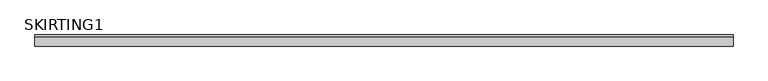
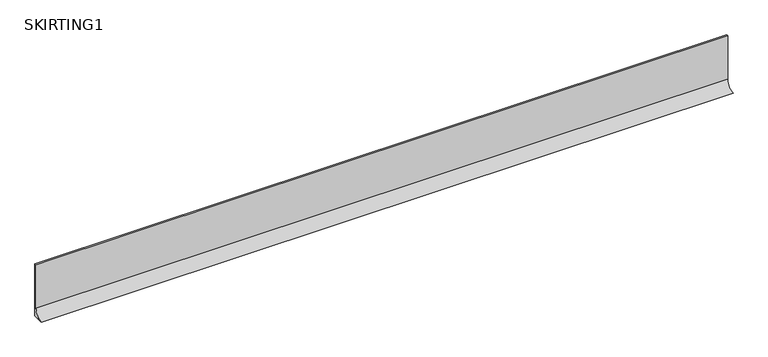
"""IFC4 building model written with IfcOpenShell, lengths in millimetres: proxy geometry, SKIRTING1."""

from ifc_helpers import new_model, si_unit, point, frame, frame_2d, origin, place, context, project, spatial, polyline, circle_curve, trimmed, segment, composite_curve, outline, extrude, source, transform, mapped, element, save


def skirting1_991edbfb(model_context):
    return source(origin(), model_context, "Body", "SweptSolid", [
        extrude(outline(composite_curve([segment(polyline([(0.0, 0.0), (-30.0, 0.0)]), True, "CONTINUOUS"), segment(trimmed(circle_curve(frame_2d((-30.0, 25.0)), 25.0), [point((-30.0, 0.0))], [point((-5.0, 25.0))], True, "CARTESIAN"), True, "CONTINUOUS"), segment(polyline([(-5.0, 25.0), (-5.0, 150.0), (0.0, 150.0), (0.0, 0.0)]), True, "CONTINUOUS")], self_intersect=False)), frame((0.0, 0.0, 0.0), z_axis=(1.0, 0.0, 0.0), x_axis=(0.0, 1.0, 0.0)), (0.0, 0.0, 1.0), 1880.0),
    ])


if __name__ == "__main__":
    model = new_model("IFC4")
    model_context = context("Model", 3, world=origin())
    ifc_project = project(units=[si_unit("LENGTHUNIT", "METRE", prefix="MILLI")], contexts=[model_context])
    site = spatial("IfcSite", under=ifc_project)
    building = spatial("IfcBuilding", under=site)
    placement = place(None, origin())
    skirting1_shape = skirting1_991edbfb(model_context)
    element("IfcBuildingElementProxy", 1, Name="SKIRTING1", ObjectType="SKIRTING1", at=placement, inside=building, context=model_context, shape_type="MappedRepresentation", body=[
        mapped(skirting1_shape, transform((0.0, 0.0, 0.0), x_axis=(1.0, 0.0, 0.0), y_axis=(0.0, 1.0, 0.0), z_axis=(0.0, 0.0, 1.0))),
    ])
    save(model, "model.ifc")
